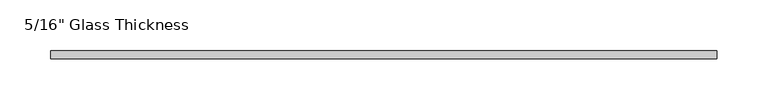
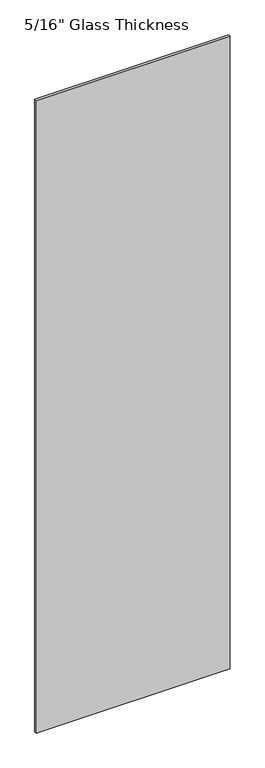
"""IFC4 building model written with IfcOpenShell, lengths in millimetres: plate geometry."""

from ifc_helpers import new_model, si_unit, origin, origin_with_axes, place, context, project, spatial, polyline, outline, extrude, source, transform, mapped, element, save


def plate_e6be8262(model_context):
    return source(origin(), model_context, "Body", "SweptSolid", [
        extrude(outline(polyline([(329.0518198, 0.0), (-329.0518198, 0.0), (-329.0518198, 8.0), (329.0518198, 8.0), (329.0518198, 0.0)])), origin_with_axes(), (0.0, 0.0, 1.0), 2267.0),
    ])


if __name__ == "__main__":
    model = new_model("IFC4")
    model_context = context("Model", 3, world=origin())
    ifc_project = project(units=[si_unit("LENGTHUNIT", "METRE", prefix="MILLI")], contexts=[model_context])
    site = spatial("IfcSite", under=ifc_project)
    building = spatial("IfcBuilding", under=site)
    placement = place(None, origin())
    plate_shape = plate_e6be8262(model_context)
    element("IfcPlate", 1, ObjectType="5/16\" Glass Thickness", at=placement, inside=building, context=model_context, shape_type="MappedRepresentation", body=[
        mapped(plate_shape, transform((0.0, 0.0, 0.0), x_axis=(1.0, 0.0, 0.0), y_axis=(0.0, 1.0, 0.0), z_axis=(0.0, 0.0, 1.0))),
    ])
    save(model, "model.ifc")
